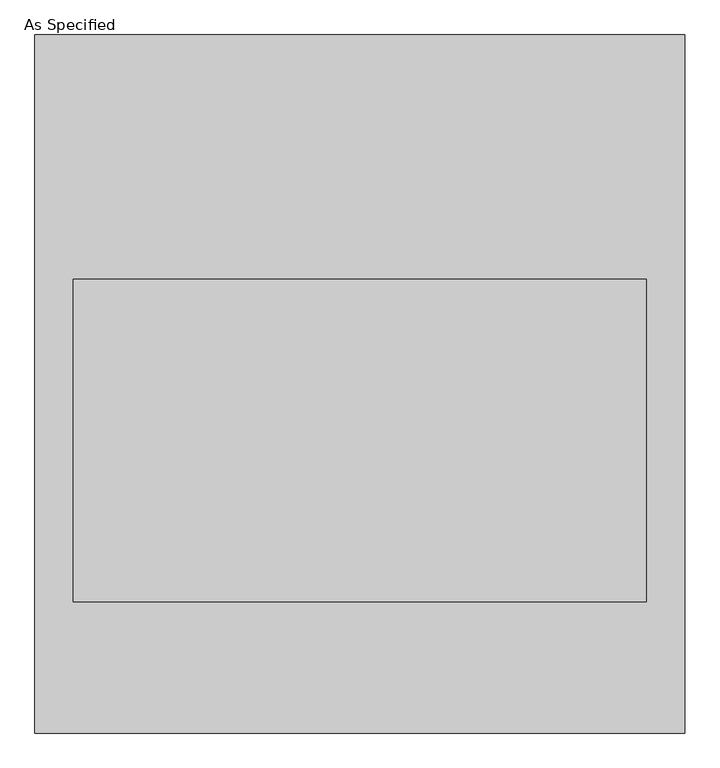
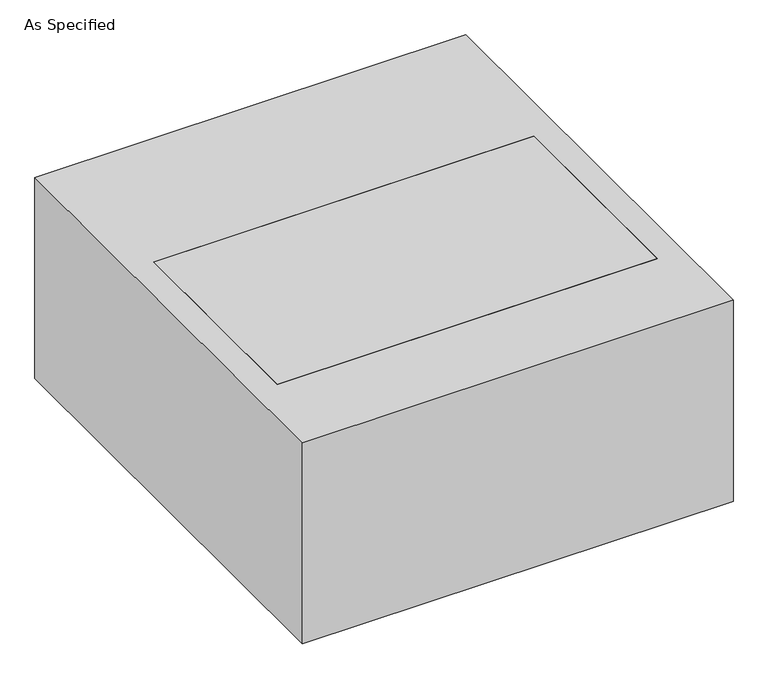
"""IFC4 building model written with IfcOpenShell, lengths in millimetres: proxy geometry, As Specified."""

from ifc_helpers import new_model, si_unit, frame, origin, place, context, project, spatial, polyline, outline, extrude, source, transform, mapped, element, save


def as_specified_ca783687(model_context):
    return source(origin(), model_context, "Body", "SweptSolid", [
        extrude(outline(polyline([(511.175, 549.275), (511.175, -549.275), (-511.175, -549.275), (-511.175, 549.275), (511.175, 549.275)]), holes=[polyline([(450.85, 165.1), (-450.85, 165.1), (-450.85, -342.9), (450.85, -342.9), (450.85, 165.1)])]), frame((0.0, 0.0, -530.225), z_axis=(0.0, 0.0, 1.0), x_axis=(1.0, 0.0, 0.0)), (0.0, 0.0, 1.0), 504.825),
        extrude(outline(polyline([(450.85, 165.1), (450.85, -342.9), (-450.85, -342.9), (-450.85, 165.1), (450.85, 165.1)])), frame((0.0, 0.0, -530.225), z_axis=(0.0, 0.0, 1.0), x_axis=(1.0, 0.0, 0.0)), (0.0, 0.0, 1.0), 504.825),
    ])


if __name__ == "__main__":
    model = new_model("IFC4")
    model_context = context("Model", 3, world=origin())
    ifc_project = project(units=[si_unit("LENGTHUNIT", "METRE", prefix="MILLI")], contexts=[model_context])
    site = spatial("IfcSite", under=ifc_project)
    building = spatial("IfcBuilding", under=site)
    placement = place(None, origin())
    as_specified_shape = as_specified_ca783687(model_context)
    element("IfcBuildingElementProxy", 1, Name="As Specified", ObjectType="As Specified", at=placement, inside=building, context=model_context, shape_type="MappedRepresentation", body=[
        mapped(as_specified_shape, transform((0.0, 0.0, 0.0), x_axis=(1.0, 0.0, 0.0), y_axis=(0.0, 1.0, 0.0), z_axis=(0.0, 0.0, 1.0))),
    ])
    save(model, "model.ifc")
